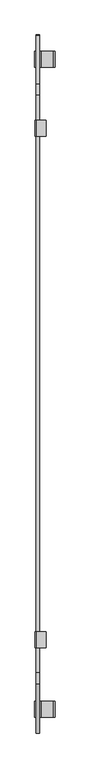
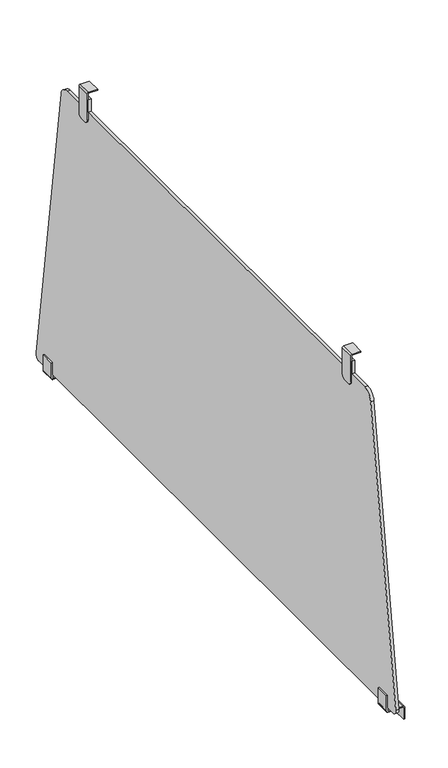
"""IFC4 building model written with IfcOpenShell, lengths in millimetres: furniture geometry."""

from ifc_helpers import new_model, si_unit, point, frame, frame_2d, origin, place, context, project, spatial, polyline, circle_curve, trimmed, segment, composite_curve, outline, extrude, source, transform, mapped, element, save
from ifc_brep_helpers import plane_surface, cylinder_surface, advanced_brep


def furniture_63a869a6(model_context):
    return source(origin(), model_context, "Body", "SolidModel", [
        extrude(outline(composite_curve([segment(polyline([(303.0087394, 47.0400368), (303.0087394, 45.0400363), (275.0848625, 45.0400363), (275.0848625, 38.6815963)]), True, "CONTINUOUS"), segment(trimmed(circle_curve(frame_2d((275.6617776, 38.6815963)), 0.5769151), [point((275.0848625, 38.6815963))], [point((275.6617776, 38.1046811))], True, "CARTESIAN"), True, "CONTINUOUS"), segment(polyline([(275.6617776, 38.1046811), (308.0087431, 38.1046811), (308.0087431, 35.8405751), (276.1828119, 35.8405751)]), True, "CONTINUOUS"), segment(trimmed(circle_curve(frame_2d((276.1828119, 39.0021159)), 3.1615408), [point((276.1828119, 35.8405751))], [point((273.0212711, 39.0021159))], False, "CARTESIAN"), True, "CONTINUOUS"), segment(polyline([(273.0212711, 39.0021159), (273.0212711, 68.189659)]), True, "CONTINUOUS"), segment(trimmed(circle_curve(frame_2d((271.8703559, 68.189659)), 1.1509152), [point((273.0212711, 68.189659))], [point((271.8703559, 69.3405743))], True, "CARTESIAN"), True, "CONTINUOUS"), segment(polyline([(271.8703559, 69.3405743), (248.0087535, 69.3405743), (248.0087535, 71.3405748), (272.0682758, 71.3405748)]), True, "CONTINUOUS"), segment(trimmed(circle_curve(frame_2d((272.0682758, 68.3239882)), 3.0165866), [point((272.0682758, 71.3405748))], [point((275.0848625, 68.3239882))], False, "CARTESIAN"), True, "CONTINUOUS"), segment(polyline([(275.0848625, 68.3239882), (275.0848625, 47.0400368), (303.0087394, 47.0400368)]), True, "CONTINUOUS")], self_intersect=False)), frame((0.0, -606.1457314, 0.0), z_axis=(0.0, 1.0, 0.0), x_axis=(0.0, 0.0, 1.0)), (0.0, 0.0, 1.0), 27.9179543),
        extrude(outline(composite_curve([segment(polyline([(303.0087394, 47.0400368), (303.0087394, 45.0400363), (275.0848625, 45.0400363), (275.0848625, 38.6815963)]), True, "CONTINUOUS"), segment(trimmed(circle_curve(frame_2d((275.6617776, 38.6815963)), 0.5769151), [point((275.0848625, 38.6815963))], [point((275.6617776, 38.1046811))], True, "CARTESIAN"), True, "CONTINUOUS"), segment(polyline([(275.6617776, 38.1046811), (308.0087431, 38.1046811), (308.0087431, 35.8405751), (276.1828119, 35.8405751)]), True, "CONTINUOUS"), segment(trimmed(circle_curve(frame_2d((276.1828119, 39.0021159)), 3.1615408), [point((276.1828119, 35.8405751))], [point((273.0212711, 39.0021159))], False, "CARTESIAN"), True, "CONTINUOUS"), segment(polyline([(273.0212711, 39.0021159), (273.0212711, 68.189659)]), True, "CONTINUOUS"), segment(trimmed(circle_curve(frame_2d((271.8703559, 68.189659)), 1.1509152), [point((273.0212711, 68.189659))], [point((271.8703559, 69.3405743))], True, "CARTESIAN"), True, "CONTINUOUS"), segment(polyline([(271.8703559, 69.3405743), (248.0087535, 69.3405743), (248.0087535, 71.3405748), (272.0682758, 71.3405748)]), True, "CONTINUOUS"), segment(trimmed(circle_curve(frame_2d((272.0682758, 68.3239882)), 3.0165866), [point((272.0682758, 71.3405748))], [point((275.0848625, 68.3239882))], False, "CARTESIAN"), True, "CONTINUOUS"), segment(polyline([(275.0848625, 68.3239882), (275.0848625, 47.0400368), (303.0087394, 47.0400368)]), True, "CONTINUOUS")], self_intersect=False)), frame((0.0, 528.227777, 0.0), z_axis=(0.0, 1.0, 0.0), x_axis=(0.0, 0.0, 1.0)), (0.0, 0.0, 1.0), 27.9179543),
        extrude(outline(composite_curve([segment(trimmed(circle_curve(frame_2d((478.5487318, 878.1281975)), 21.0), [point((478.5487318, 899.1281975))], [point((499.332973, 881.1307491))], False, "CARTESIAN"), True, "CONTINUOUS"), segment(polyline([(499.332973, 881.1307491), (584.0882132, 294.4386384)]), True, "CONTINUOUS"), segment(trimmed(circle_curve(frame_2d((574.1909555, 293.0088519)), 10.0), [point((584.0882132, 294.4386384))], [point((574.1909555, 283.0088519))], False, "CARTESIAN"), True, "CONTINUOUS"), segment(polyline([(574.1909555, 283.0088519), (-624.1909555, 283.0088519)]), True, "CONTINUOUS"), segment(trimmed(circle_curve(frame_2d((-624.1909555, 293.0088519)), 10.0), [point((-624.1909555, 283.0088519))], [point((-634.0882132, 294.4386384))], False, "CARTESIAN"), True, "CONTINUOUS"), segment(polyline([(-634.0882132, 294.4386384), (-549.332973, 881.1307491)]), True, "CONTINUOUS"), segment(trimmed(circle_curve(frame_2d((-528.5487318, 878.1281975)), 21.0), [point((-549.332973, 881.1307491))], [point((-528.5487318, 899.1281975))], False, "CARTESIAN"), True, "CONTINUOUS"), segment(polyline([(-528.5487318, 899.1281975), (-485.0064946, 899.1281975), (-485.0064946, 924.9634665), (-457.0064959, 924.9634665), (-457.0064959, 899.1281975), (407.0064959, 899.1281975), (407.0064959, 924.9634665), (435.0064946, 924.9634665), (435.0064946, 899.1281975), (478.5487318, 899.1281975)]), True, "CONTINUOUS")], self_intersect=False)), frame((38.1046811, 0.0, 0.0), z_axis=(1.0, 0.0, 0.0), x_axis=(0.0, 1.0, 0.0)), (0.0, 0.0, 1.0), 5.9999994),
        advanced_brep(
        [(56.0070245, 435.0064946, 939.963423), (56.0070245, 435.0064946, 937.9634724), (38.1046811, 435.0064946, 937.9634724), (38.1046811, 435.0064946, 883.953015), (36.0070257, 435.0064946, 883.953015), (36.0070257, 435.0064946, 937.1510836), (38.8193651, 435.0064946, 939.963423), (56.0070245, 407.0064959, 939.963423), (38.8193651, 407.0064959, 939.963423), (36.0070257, 407.0064959, 937.1510836), (36.0070257, 407.0064959, 883.7388224), (38.1046811, 407.0064959, 883.7388224), (38.1046811, 407.0064959, 937.9634724), (56.0070245, 407.0064959, 937.9634724), (36.0070257, 426.0169094, 874.9634297), (36.0070257, 415.7818885, 874.9634297), (38.1046811, 415.7818885, 874.9634297), (38.1046811, 426.0169094, 874.9634297)],
        [
            (0, 1),
            (1, 2),
            (2, 3),
            (3, 4),
            (4, 5),
            (5, 6, circle_curve(frame((38.8193651, 435.0064946, 937.1510836), z_axis=(0.0, 1.0, 0.0), x_axis=(1.0, 0.0, 0.0)), 2.8123394)),
            (6, 0),
            (7, 8),
            (8, 9, circle_curve(frame((38.8193651, 407.0064959, 937.1510836), z_axis=(0.0, -1.0, 0.0), x_axis=(1.0, 0.0, 0.0)), 2.8123394)),
            (9, 10),
            (10, 11),
            (11, 12),
            (12, 13),
            (13, 7),
            (6, 8),
            (7, 0),
            (5, 9),
            (4, 14, circle_curve(frame((36.0070257, 426.0169094, 883.953015), z_axis=(-1.0, 0.0, 0.0), x_axis=(0.0, -1.0, 0.0)), 8.9895852)),
            (14, 15),
            (15, 10, circle_curve(frame((36.0070257, 415.7818885, 883.7388224), z_axis=(-1.0, 0.0, 0.0), x_axis=(0.0, -1.0, 0.0)), 8.7753927)),
            (2, 12),
            (11, 16, circle_curve(frame((38.1046811, 415.7818885, 883.7388224), z_axis=(1.0, 0.0, 0.0), x_axis=(0.0, -1.0, 0.0)), 8.7753927)),
            (16, 17),
            (17, 3, circle_curve(frame((38.1046811, 426.0169094, 883.953015), z_axis=(1.0, 0.0, 0.0), x_axis=(0.0, -1.0, 0.0)), 8.9895852)),
            (1, 13),
            (17, 14),
            (16, 15),
        ],
        [
            plane_surface(frame((56.0070245, 435.0064946, 937.9634724), z_axis=(0.0, 1.0, 0.0), x_axis=(0.0, 0.0, -1.0))),
            plane_surface(frame((56.0070245, 407.0064959, 937.9634724), z_axis=(0.0, -1.0, 0.0), x_axis=(0.0, 0.0, 1.0))),
            plane_surface(frame((38.8193651, 435.0064946, 939.963423), z_axis=(0.0, 0.0, 1.0), x_axis=(0.0, -1.0, 0.0))),
            cylinder_surface(frame((38.8193651, 407.0064959, 937.1510836), z_axis=(0.0, 1.0, 0.0), x_axis=(1.0, 0.0, 0.0)), 2.8123394),
            plane_surface(frame((36.0070257, 435.0064946, 885.9634487), z_axis=(-1.0, 0.0, 0.0), x_axis=(0.0, -1.0, 0.0))),
            plane_surface(frame((38.1046811, 435.0064946, 937.9634724), z_axis=(1.0, 0.0, 0.0), x_axis=(0.0, -1.0, 0.0))),
            plane_surface(frame((56.0070245, 435.0064946, 937.9634724), z_axis=(0.0, 0.0, -1.0), x_axis=(0.0, -1.0, 0.0))),
            plane_surface(frame((56.0070245, 435.0064946, 939.963423), z_axis=(1.0, 0.0, 0.0), x_axis=(0.0, -1.0, 0.0))),
            cylinder_surface(frame((36.0070257, 426.0169094, 883.953015), z_axis=(1.0, 0.0, 0.0), x_axis=(0.0, -1.0, 0.0)), 8.9895852),
            plane_surface(frame((38.1046811, 415.7818885, 874.9634297), z_axis=(0.0, 0.0, -1.0), x_axis=(-1.0, 0.0, 0.0))),
            cylinder_surface(frame((36.0070257, 415.7818885, 883.7388224), z_axis=(1.0, 0.0, 0.0), x_axis=(0.0, -1.0, 0.0)), 8.7753927),
        ],
        [
            (0, [[1, 2, 3, 4, 5, 6, 7]]),
            (1, [[8, 9, 10, 11, 12, 13, 14]]),
            (2, [[-7, 15, -8, 16]]),
            (3, [[-6, 17, -9, -15]]),
            (4, [[-5, 18, 19, 20, -10, -17]]),
            (5, [[-3, 21, -12, 22, 23, 24]]),
            (6, [[-2, 25, -13, -21]]),
            (7, [[-1, -16, -14, -25]]),
            (8, [[-24, 26, -18, -4]]),
            (9, [[-23, 27, -19, -26]]),
            (10, [[-22, -11, -20, -27]]),
        ],
    ),
        advanced_brep(
        [(56.0070245, -485.0064946, 939.963423), (38.8193651, -485.0064946, 939.963423), (36.0070257, -485.0064946, 937.1510836), (36.0070257, -485.0064946, 883.953015), (38.1046811, -485.0064946, 883.953015), (38.1046811, -485.0064946, 937.9634724), (56.0070245, -485.0064946, 937.9634724), (56.0070245, -457.0064959, 939.963423), (56.0070245, -457.0064959, 937.9634724), (38.1046811, -457.0064959, 937.9634724), (38.1046811, -457.0064959, 883.7388224), (36.0070257, -457.0064959, 883.7388224), (36.0070257, -457.0064959, 937.1510836), (38.8193651, -457.0064959, 939.963423), (36.0070257, -465.7818885, 874.9634297), (36.0070257, -476.0169094, 874.9634297), (38.1046811, -476.0169094, 874.9634297), (38.1046811, -465.7818885, 874.9634297)],
        [
            (0, 1),
            (1, 2, circle_curve(frame((38.8193651, -485.0064946, 937.1510836), z_axis=(0.0, -1.0, 0.0), x_axis=(1.0, 0.0, 0.0)), 2.8123394)),
            (2, 3),
            (3, 4),
            (4, 5),
            (5, 6),
            (6, 0),
            (7, 8),
            (8, 9),
            (9, 10),
            (10, 11),
            (11, 12),
            (12, 13, circle_curve(frame((38.8193651, -457.0064959, 937.1510836), z_axis=(0.0, 1.0, 0.0), x_axis=(1.0, 0.0, 0.0)), 2.8123394)),
            (13, 7),
            (0, 7),
            (13, 1),
            (12, 2),
            (11, 14, circle_curve(frame((36.0070257, -465.7818885, 883.7388224), z_axis=(-1.0, 0.0, 0.0), x_axis=(0.0, 1.0, 0.0)), 8.7753927)),
            (14, 15),
            (15, 3, circle_curve(frame((36.0070257, -476.0169094, 883.953015), z_axis=(-1.0, 0.0, 0.0), x_axis=(0.0, 1.0, 0.0)), 8.9895852)),
            (4, 16, circle_curve(frame((38.1046811, -476.0169094, 883.953015), z_axis=(1.0, 0.0, 0.0), x_axis=(0.0, 1.0, 0.0)), 8.9895852)),
            (16, 17),
            (17, 10, circle_curve(frame((38.1046811, -465.7818885, 883.7388224), z_axis=(1.0, 0.0, 0.0), x_axis=(0.0, 1.0, 0.0)), 8.7753927)),
            (9, 5),
            (8, 6),
            (15, 16),
            (14, 17),
        ],
        [
            plane_surface(frame((56.0070245, -485.0064946, 939.963423), z_axis=(0.0, -1.0, 0.0), x_axis=(-1.0, 0.0, 0.0))),
            plane_surface(frame((56.0070245, -457.0064959, 939.963423), z_axis=(0.0, 1.0, 0.0), x_axis=(1.0, 0.0, 0.0))),
            plane_surface(frame((56.0070245, -485.0064946, 939.963423), z_axis=(0.0, 0.0, 1.0), x_axis=(0.0, 1.0, 0.0))),
            cylinder_surface(frame((38.8193651, -457.0064959, 937.1510836), z_axis=(0.0, -1.0, 0.0), x_axis=(1.0, 0.0, 0.0)), 2.8123394),
            plane_surface(frame((36.0070257, -485.0064946, 937.1510836), z_axis=(-1.0, 0.0, 0.0), x_axis=(0.0, 1.0, 0.0))),
            plane_surface(frame((38.1046811, -485.0064946, 885.9634487), z_axis=(1.0, 0.0, 0.0), x_axis=(0.0, 1.0, 0.0))),
            plane_surface(frame((38.1046811, -485.0064946, 937.9634724), z_axis=(0.0, 0.0, -1.0), x_axis=(0.0, 1.0, 0.0))),
            plane_surface(frame((56.0070245, -485.0064946, 937.9634724), z_axis=(1.0, 0.0, 0.0), x_axis=(0.0, 1.0, 0.0))),
            cylinder_surface(frame((36.0070257, -476.0169094, 883.953015), z_axis=(1.0, 0.0, 0.0), x_axis=(0.0, 1.0, 0.0)), 8.9895852),
            plane_surface(frame((38.1046811, -476.0169094, 874.9634297), z_axis=(0.0, 0.0, -1.0), x_axis=(-1.0, 0.0, 0.0))),
            cylinder_surface(frame((36.0070257, -465.7818885, 883.7388224), z_axis=(1.0, 0.0, 0.0), x_axis=(0.0, 1.0, 0.0)), 8.7753927),
        ],
        [
            (0, [[1, 2, 3, 4, 5, 6, 7]]),
            (1, [[8, 9, 10, 11, 12, 13, 14]]),
            (2, [[-1, 15, -14, 16]]),
            (3, [[-2, -16, -13, 17]]),
            (4, [[-3, -17, -12, 18, 19, 20]]),
            (5, [[-5, 21, 22, 23, -10, 24]]),
            (6, [[-6, -24, -9, 25]]),
            (7, [[-7, -25, -8, -15]]),
            (8, [[-21, -4, -20, 26]]),
            (9, [[-22, -26, -19, 27]]),
            (10, [[-23, -27, -18, -11]]),
        ],
    ),
    ])


if __name__ == "__main__":
    model = new_model("IFC4")
    model_context = context("Model", 3, world=origin())
    ifc_project = project(units=[si_unit("LENGTHUNIT", "METRE", prefix="MILLI")], contexts=[model_context])
    site = spatial("IfcSite", under=ifc_project)
    building = spatial("IfcBuilding", under=site)
    placement = place(None, origin())
    furniture_shape = furniture_63a869a6(model_context)
    element("IfcFurniture", 1, at=placement, inside=building, context=model_context, shape_type="MappedRepresentation", body=[
        mapped(furniture_shape, transform((0.0, 0.0, 0.0), x_axis=(1.0, 0.0, 0.0), y_axis=(0.0, 1.0, 0.0), z_axis=(0.0, 0.0, 1.0))),
    ])
    save(model, "model.ifc")
